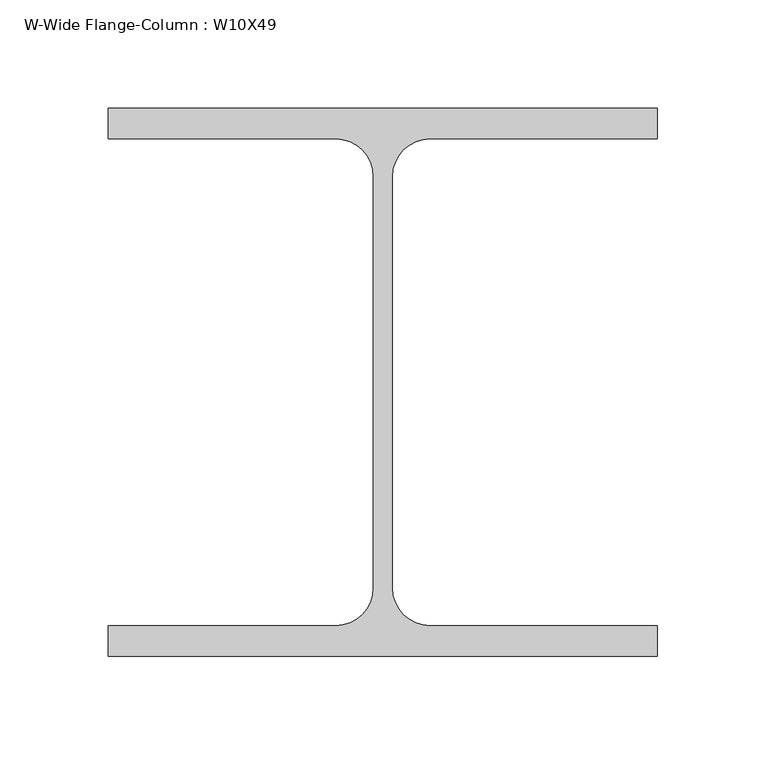
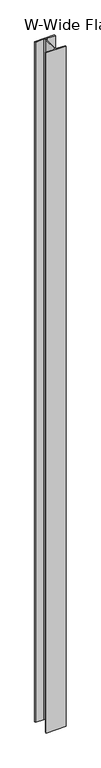
"""IFC4 building model written with IfcOpenShell, lengths in millimetres: column geometry, W-Wide Flange-Column : W10X49."""

from ifc_helpers import new_model, si_unit, point, frame_2d, origin, origin_with_axes, place, context, project, spatial, polyline, circle_curve, trimmed, segment, composite_curve, outline, extrude, source, transform, mapped, element, save


def w_wide_flange_column_w10x49_d515ce89(model_context):
    return source(origin(), model_context, "Body", "SweptSolid", [
        extrude(outline(composite_curve([segment(polyline([(127.0, 126.7519531), (127.0, 112.5636719), (21.8777344, 112.5636719)]), True, "CONTINUOUS"), segment(trimmed(circle_curve(frame_2d((21.8777344, 95.0019531)), 17.5617188), [point((21.8777344, 112.5636719))], [point((4.3160156, 95.0019531))], True, "CARTESIAN"), True, "CONTINUOUS"), segment(polyline([(4.3160156, 95.0019531), (4.3160156, -95.0019531)]), True, "CONTINUOUS"), segment(trimmed(circle_curve(frame_2d((21.8777344, -95.0019531)), 17.5617187), [point((4.3160156, -95.0019531))], [point((21.8777344, -112.5636719))], True, "CARTESIAN"), True, "CONTINUOUS"), segment(polyline([(21.8777344, -112.5636719), (127.0, -112.5636719), (127.0, -126.7519531), (-127.0, -126.7519531), (-127.0, -112.5636719), (-21.8777344, -112.5636719)]), True, "CONTINUOUS"), segment(trimmed(circle_curve(frame_2d((-21.8777344, -95.0019531)), 17.5617187), [point((-21.8777344, -112.5636719))], [point((-4.3160156, -95.0019531))], True, "CARTESIAN"), True, "CONTINUOUS"), segment(polyline([(-4.3160156, -95.0019531), (-4.3160156, 95.0019531)]), True, "CONTINUOUS"), segment(trimmed(circle_curve(frame_2d((-21.8777344, 95.0019531)), 17.5617188), [point((-4.3160156, 95.0019531))], [point((-21.8777344, 112.5636719))], True, "CARTESIAN"), True, "CONTINUOUS"), segment(polyline([(-21.8777344, 112.5636719), (-127.0, 112.5636719), (-127.0, 126.7519531), (127.0, 126.7519531)]), True, "CONTINUOUS")], self_intersect=False)), origin_with_axes(), (0.0, 0.0, 1.0), 9144.0),
    ])


if __name__ == "__main__":
    model = new_model("IFC4")
    model_context = context("Model", 3, world=origin())
    ifc_project = project(units=[si_unit("LENGTHUNIT", "METRE", prefix="MILLI")], contexts=[model_context])
    site = spatial("IfcSite", under=ifc_project)
    building = spatial("IfcBuilding", under=site)
    placement = place(None, origin())
    w_wide_flange_column_w10x49_shape = w_wide_flange_column_w10x49_d515ce89(model_context)
    element("IfcColumn", 1, ObjectType="W-Wide Flange-Column : W10X49", at=placement, inside=building, context=model_context, shape_type="MappedRepresentation", body=[
        mapped(w_wide_flange_column_w10x49_shape, transform((0.0, 0.0, 0.0), x_axis=(1.0, 0.0, 0.0), y_axis=(0.0, 1.0, 0.0), z_axis=(0.0, 0.0, 1.0))),
    ])
    save(model, "model.ifc")
